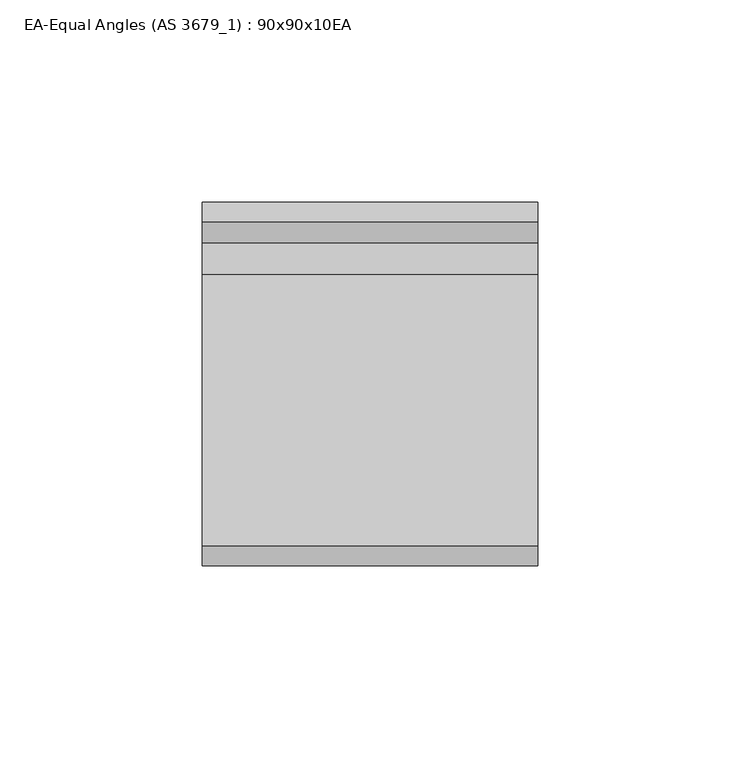
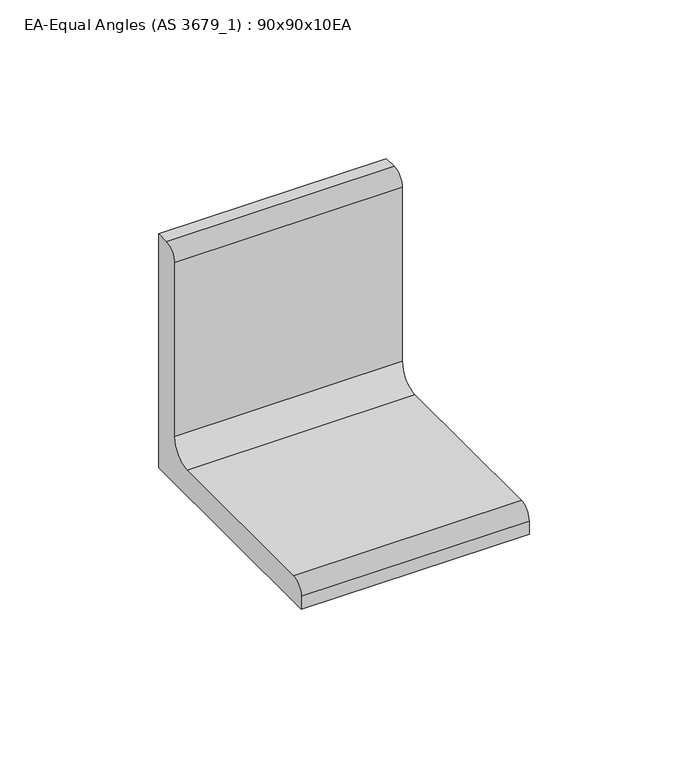
"""IFC4 building model written with IfcOpenShell, lengths in millimetres: beam geometry, EA-Equal Angles (AS 3679_1) : 90x90x10EA."""

import ifcopenshell
import ifcopenshell.guid

model = None  # the IFC model being written
_history = None  # IfcOwnerHistory: only IFC2X3 demands one
_inside = {}  # id of a spatial element -> (the spatial element, [elements in it])
_under = {}  # id of a project, library or spatial element -> (it, [spatial elements below it])
_declared = {}  # id of a project -> (the project, [libraries it declares])
_typed = {}  # id of a type object -> (the type object, [elements of that type])
_made_of = {}  # id of a material, layer set ... -> (it, [elements and type objects made of it])


def new_model(schema):
    """Start an empty IFC model of exactly this schema.

    Asked for "IFC4X3", IfcOpenShell would pick the latest addendum, in which some entities
    have other attributes; the version numbers below select the first issue.
    IFC2X3 requires an IfcOwnerHistory on every rooted entity: one is made here for all.
    """
    global model, _history
    if schema == "IFC4X3":
        model = ifcopenshell.file(schema_version=(4, 3, 0, 0))
    else:
        model = ifcopenshell.file(schema=schema)
    _inside.clear()
    _under.clear()
    _declared.clear()
    _typed.clear()
    _made_of.clear()
    _history = None
    if model.schema == "IFC2X3":
        org = make("IfcOrganization", Name="unknown")
        user = make(
            "IfcPersonAndOrganization",
            ThePerson=make("IfcPerson", FamilyName="unknown"),
            TheOrganization=org,
        )
        app = make(
            "IfcApplication",
            ApplicationDeveloper=org,
            Version="unknown",
            ApplicationFullName="unknown",
            ApplicationIdentifier="unknown",
        )
        _history = make(
            "IfcOwnerHistory",
            OwningUser=user,
            OwningApplication=app,
            ChangeAction="ADDED",
            CreationDate=0,
        )
    return model


def make(cls, **values):
    """One entity of the class cls with the attributes given. An attribute that is None is left unset."""
    return model.create_entity(
        cls, **{name: value for name, value in values.items() if value is not None}
    )


def rooted(cls, **values):
    """An entity with a GlobalId (a new one), such as an element, a storey or a relation."""
    return make(cls, GlobalId=ifcopenshell.guid.new(), OwnerHistory=_history, **values)


def si_unit(unit_type, name, prefix=None):
    """IfcSIUnit, for example si_unit("LENGTHUNIT", "METRE", prefix="MILLI")."""
    return make("IfcSIUnit", UnitType=unit_type, Prefix=prefix, Name=name)


def assignment(units):
    """IfcUnitAssignment: the units of a project."""
    return None if units is None else make("IfcUnitAssignment", Units=units)


def point(xyz):
    """IfcCartesianPoint."""
    return None if xyz is None else make("IfcCartesianPoint", Coordinates=xyz)


def direction(xyz):
    """IfcDirection."""
    return None if xyz is None else make("IfcDirection", DirectionRatios=xyz)


def frame(location, z_axis=None, x_axis=None):
    """IfcAxis2Placement3D, a coordinate frame: its origin and axes. An axis left out is left unset."""
    return make(
        "IfcAxis2Placement3D",
        Location=point(location),
        Axis=direction(z_axis),
        RefDirection=direction(x_axis),
    )


def frame_2d(location, x_axis=None):
    """IfcAxis2Placement2D, a coordinate frame in the plane: its origin and x axis."""
    return make(
        "IfcAxis2Placement2D", Location=point(location), RefDirection=direction(x_axis)
    )


def origin():
    """The frame at (0, 0, 0) with its axes left unset."""
    return frame((0.0, 0.0, 0.0))


def place(relative_to, where):
    """IfcLocalPlacement: puts the frame where relative to a parent placement (None: the world)."""
    return make(
        "IfcLocalPlacement", PlacementRelTo=relative_to, RelativePlacement=where
    )


def context(
    kind, dimensions, precision=None, world=None, true_north=None, identifier=None
):
    """IfcGeometricRepresentationContext, for example the 3D "Model" context."""
    return make(
        "IfcGeometricRepresentationContext",
        ContextIdentifier=identifier,
        ContextType=kind,
        CoordinateSpaceDimension=dimensions,
        Precision=precision,
        WorldCoordinateSystem=world,
        TrueNorth=true_north,
    )


def project(units=None, contexts=None):
    """IfcProject with its units and contexts."""
    return rooted(
        "IfcProject",
        Name="project",
        RepresentationContexts=contexts,
        UnitsInContext=assignment(units),
    )


def spatial(cls, under=None, at=None, **own):
    """A site, building, storey or space (cls), placed at a placement, below another one or the project."""
    s = rooted(cls, ObjectPlacement=at, **own)
    if under is not None:
        _under.setdefault(under.id(), (under, []))[1].append(s)
    return s


def polyline(points):
    """IfcPolyline through the points."""
    return make("IfcPolyline", Points=[point(p) for p in points])


def circle_curve(where, radius):
    """IfcCircle in the frame where."""
    return make("IfcCircle", Position=where, Radius=radius)


def trimmed(basis, trim1, trim2, sense, master):
    """IfcTrimmedCurve: the piece of a basis curve between two trims."""
    return make(
        "IfcTrimmedCurve",
        BasisCurve=basis,
        Trim1=trim1,
        Trim2=trim2,
        SenseAgreement=sense,
        MasterRepresentation=master,
    )


def segment(curve, same_sense, transition):
    """IfcCompositeCurveSegment."""
    return make(
        "IfcCompositeCurveSegment",
        Transition=transition,
        SameSense=same_sense,
        ParentCurve=curve,
    )


def composite_curve(segments, self_intersect=None):
    """IfcCompositeCurve: segments joined end to end."""
    return make("IfcCompositeCurve", Segments=segments, SelfIntersect=self_intersect)


def outline(outer, holes=None, kind="AREA"):
    """IfcArbitraryClosedProfileDef: a profile drawn as a closed curve; with holes, ...WithVoids."""
    if holes is None:
        return make("IfcArbitraryClosedProfileDef", ProfileType=kind, OuterCurve=outer)
    return make(
        "IfcArbitraryProfileDefWithVoids",
        ProfileType=kind,
        OuterCurve=outer,
        InnerCurves=holes,
    )


def extrude(swept, where, along, depth):
    """IfcExtrudedAreaSolid: the profile swept, set in the frame where, extruded along a direction by depth."""
    return make(
        "IfcExtrudedAreaSolid",
        SweptArea=swept,
        Position=where,
        ExtrudedDirection=direction(along),
        Depth=depth,
    )


def shape(context_of_items, identifier, shape_type, items):
    """IfcShapeRepresentation: the items that make up one representation, for example the "Body"."""
    return make(
        "IfcShapeRepresentation",
        ContextOfItems=context_of_items,
        RepresentationIdentifier=identifier,
        RepresentationType=shape_type,
        Items=items,
    )


def source(mapping_origin, context_of_items, identifier, shape_type, items):
    """IfcRepresentationMap: a shape defined once, which mapped items show again and again."""
    return make(
        "IfcRepresentationMap",
        MappingOrigin=mapping_origin,
        MappedRepresentation=shape(context_of_items, identifier, shape_type, items),
    )


def transform(
    local_origin,
    x_axis=None,
    y_axis=None,
    z_axis=None,
    scale=None,
    scale2=None,
    scale3=None,
    uniform=True,
):
    """IfcCartesianTransformationOperator3D, or its non-uniform kind. x_axis, y_axis, z_axis: its Axis1, 2, 3."""
    if uniform:
        return make(
            "IfcCartesianTransformationOperator3D",
            Axis1=direction(x_axis),
            Axis2=direction(y_axis),
            LocalOrigin=point(local_origin),
            Scale=scale,
            Axis3=direction(z_axis),
        )
    return make(
        "IfcCartesianTransformationOperator3DnonUniform",
        Axis1=direction(x_axis),
        Axis2=direction(y_axis),
        LocalOrigin=point(local_origin),
        Scale=scale,
        Axis3=direction(z_axis),
        Scale2=scale2,
        Scale3=scale3,
    )


def mapped(mapping_source, mapping_target):
    """IfcMappedItem: shows the shape of a source again, moved by a transform."""
    return make(
        "IfcMappedItem", MappingSource=mapping_source, MappingTarget=mapping_target
    )


def made_of(thing, what):
    """Note that an element or type object is made of a material, layer set ...; save() writes the relation."""
    if what is not None:
        _made_of.setdefault(what.id(), (what, []))[1].append(thing)
    return thing


def element(
    cls,
    number,
    at=None,
    inside=None,
    cuts=None,
    type_object=None,
    material=None,
    context=None,
    identifier="Body",
    shape_type=None,
    held_by="IfcProductDefinitionShape",
    body=None,
    shapes=None,
    **own,
):
    """One element of the class cls, such as IfcWall. Its Tag is "e" and its number.

    at: its placement. inside: the storey or other place that contains it. cuts: it is an
    opening in that element (IfcRelVoidsElement). A single representation is given by context,
    identifier, shape_type and body (its items); several are given by shapes. held_by: the class
    of the entity that holds the representations. save() writes the other relations.
    """
    e = rooted(cls, Tag="e%d" % number, ObjectPlacement=at, **own)
    if body is not None:
        shapes = [shape(context, identifier, shape_type, body)]
    if shapes is not None:
        e.Representation = make(held_by, Representations=shapes)
    if inside is not None:
        _inside.setdefault(inside.id(), (inside, []))[1].append(e)
    if cuts is not None:
        rooted(
            "IfcRelVoidsElement", RelatingBuildingElement=cuts, RelatedOpeningElement=e
        )
    if type_object is not None:
        _typed.setdefault(type_object.id(), (type_object, []))[1].append(e)
    return made_of(e, material)


def aggregate(whole, parts):
    """IfcRelAggregates: a whole, such as a stair, and the parts it consists of."""
    return rooted("IfcRelAggregates", RelatingObject=whole, RelatedObjects=parts)


def save(model, path):
    """Write the relations noted so far, then the file.

    IfcRelAggregates (storeys below a building ...), IfcRelContainedInSpatialStructure (elements
    in a storey), IfcRelDefinesByType, IfcRelAssociatesMaterial and IfcRelDeclares: one each for
    every whole, place, type object, material and project.
    """
    for whole, parts in _under.values():
        aggregate(whole, parts)
    for where, things in _inside.values():
        rooted(
            "IfcRelContainedInSpatialStructure",
            RelatedElements=things,
            RelatingStructure=where,
        )
    for kind, things in _typed.values():
        rooted("IfcRelDefinesByType", RelatedObjects=things, RelatingType=kind)
    for what, things in _made_of.values():
        rooted("IfcRelAssociatesMaterial", RelatedObjects=things, RelatingMaterial=what)
    for by, libraries in _declared.values():
        rooted("IfcRelDeclares", RelatingContext=by, RelatedDefinitions=libraries)
    model.write(path)


def ea_equal_angles_as_3679_1_90x90x10ea_835d963b(model_context):
    return source(origin(), model_context, "Body", "SweptSolid", [
        extrude(outline(composite_curve([segment(polyline([(25.7, -25.7), (-64.3, -25.7), (-64.3, -20.7)]), True, "CONTINUOUS"), segment(trimmed(circle_curve(frame_2d((-59.3, -20.7)), 5.0), [point((-64.3, -20.7))], [point((-59.3, -15.7))], False, "CARTESIAN"), True, "CONTINUOUS"), segment(polyline([(-59.3, -15.7), (7.7, -15.7)]), True, "CONTINUOUS"), segment(trimmed(circle_curve(frame_2d((7.7, -7.7)), 8.0), [point((7.7, -15.7))], [point((15.7, -7.7))], True, "CARTESIAN"), True, "CONTINUOUS"), segment(polyline([(15.7, -7.7), (15.7, 59.3)]), True, "CONTINUOUS"), segment(trimmed(circle_curve(frame_2d((20.7, 59.3)), 5.0), [point((15.7, 59.3))], [point((20.7, 64.3))], False, "CARTESIAN"), True, "CONTINUOUS"), segment(polyline([(20.7, 64.3), (25.7, 64.3), (25.7, -25.7)]), True, "CONTINUOUS")], self_intersect=False)), frame((-41.55, 0.0, 0.0), z_axis=(1.0, 0.0, 0.0), x_axis=(0.0, 1.0, 0.0)), (0.0, 0.0, 1.0), 83.0),
    ])


if __name__ == "__main__":
    model = new_model("IFC4")
    model_context = context("Model", 3, world=origin())
    ifc_project = project(units=[si_unit("LENGTHUNIT", "METRE", prefix="MILLI")], contexts=[model_context])
    site = spatial("IfcSite", under=ifc_project)
    building = spatial("IfcBuilding", under=site)
    placement = place(None, origin())
    ea_equal_angles_as_3679_1_90x90x10ea_shape = ea_equal_angles_as_3679_1_90x90x10ea_835d963b(model_context)
    element("IfcBeam", 1, ObjectType="EA-Equal Angles (AS 3679_1) : 90x90x10EA", at=placement, inside=building, context=model_context, shape_type="MappedRepresentation", body=[
        mapped(ea_equal_angles_as_3679_1_90x90x10ea_shape, transform((0.0, 0.0, 0.0), x_axis=(1.0, 0.0, 0.0), y_axis=(0.0, 1.0, 0.0), z_axis=(0.0, 0.0, 1.0))),
    ])
    save(model, "model.ifc")
